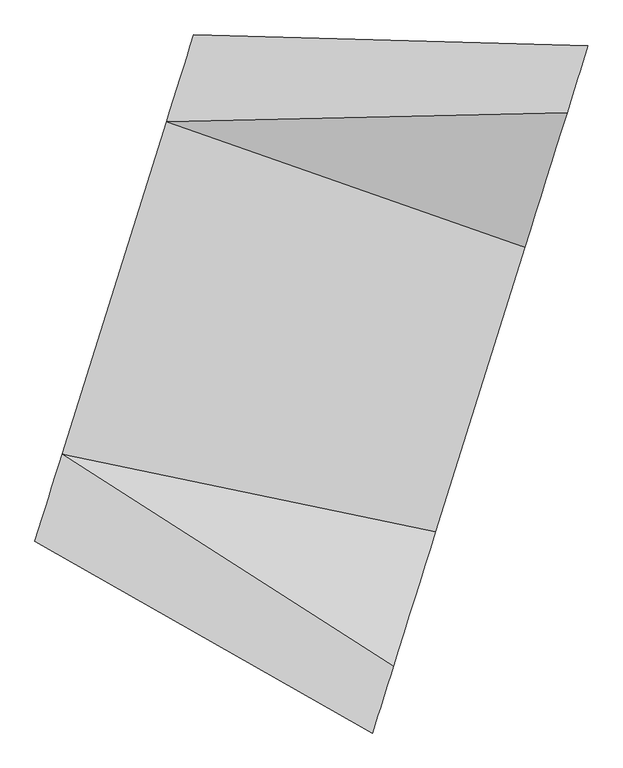
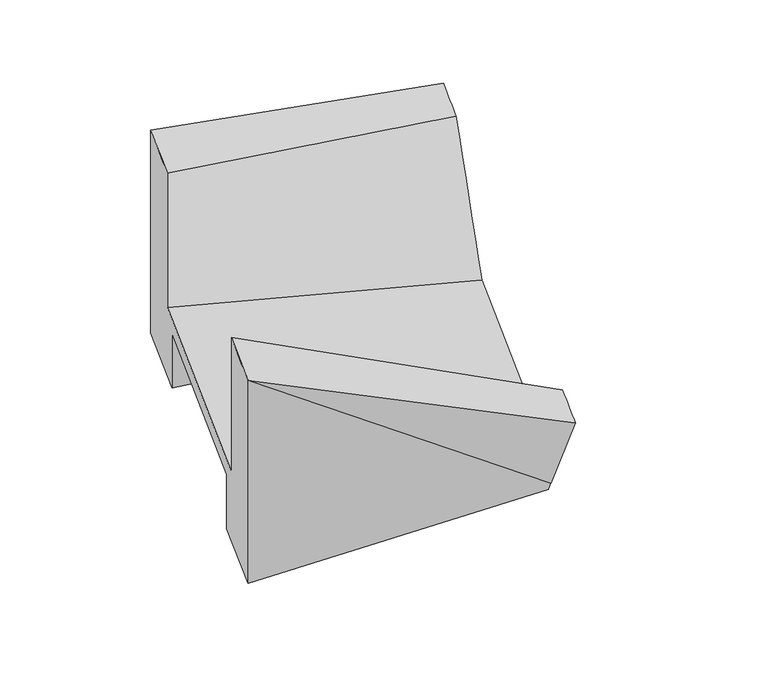
"""IFC4 building model written with IfcOpenShell, lengths in millimetres: geographic element geometry."""

from ifc_helpers import new_model, si_unit, frame, origin, place, context, project, spatial, source, transform, mapped, element, save
from ifc_brep_helpers import plane_surface, spline_surface, advanced_brep


def geographic_element_d51e29d1(model_context):
    return source(origin(), model_context, "Body", "AdvancedBrep", [
        advanced_brep(
        [(-593155.4098191, 335279.1897536, 32110.1066741), (-593155.409819, 335279.1897538, 31160.106674), (-593574.7070095, 333943.4540514, 31160.1066738), (-593574.7070097, 333943.4540505, 34710.1066688), (-593245.2592173, 334992.9606737, 34710.106669), (-593245.2592171, 334992.9606744, 32360.1066741), (-591987.3676461, 339000.1677807, 32360.1066741), (-591987.3676459, 339000.1677812, 34710.1066684), (-591657.9198534, 340049.6744045, 34710.1066684), (-591657.9198536, 340049.674404, 31160.1066733), (-592077.2170441, 338713.9387013, 31160.1066734), (-592077.217044, 338713.9387015, 32110.1066741), (-588650.5006488, 334338.5241603, 31995.1066738), (-587749.2183633, 337209.697529, 31995.1066738), (-587685.8479473, 337411.5737375, 31571.8773027), (-587430.0158664, 338226.5661872, 31571.9886135), (-587420.0922107, 338258.1795189, 31616.353347), (-586899.0073022, 339918.1756557, 33945.9175532), (-587151.5020101, 339113.8149212, 33945.9175534), (-587660.8291049, 337491.2751087, 32245.1066738), (-588738.8899069, 334056.9465814, 32245.1066738), (-589248.2170017, 332434.4067689, 33945.9175539), (-589500.7117097, 331630.0460344, 33945.9175539), (-589016.9987551, 333170.9880627, 31783.4285489), (-588969.7031456, 333321.6555024, 31571.988614), (-588713.8710647, 334136.6479519, 31571.877303)],
        [
            (0, 1),
            (1, 2),
            (2, 3),
            (3, 4),
            (4, 5),
            (5, 6),
            (6, 7),
            (7, 8),
            (8, 9),
            (9, 10),
            (10, 11),
            (11, 0),
            (12, 13),
            (13, 14),
            (14, 15),
            (15, 16),
            (16, 17),
            (17, 18),
            (18, 19),
            (19, 20),
            (20, 21),
            (21, 22),
            (22, 23),
            (23, 24),
            (24, 25),
            (25, 12),
            (25, 1),
            (0, 12),
            (24, 2),
            (23, 3),
            (22, 3),
            (21, 4),
            (20, 5),
            (19, 6),
            (18, 7),
            (17, 8),
            (16, 8),
            (15, 9),
            (14, 10),
            (13, 11),
        ],
        [
            plane_surface(frame((-592616.3134316, 336996.5642275, 32701.7733388), z_axis=(-0.9540969301462743, 0.29949799312425374, 0.0), x_axis=(6.552866768205062e-11, 2.0870674220786327e-10, 1.0))),
            plane_surface(frame((-588202.5289312, 335765.60698, 32425.1150456), z_axis=(0.9540969301462701, -0.29949799312426745, 0.0), x_axis=(-0.13392645819078122, -0.42664333504282853, -0.894449086566701))),
            spline_surface(1, 1, [[(-588650.5006488, 334338.5241603, 31995.1066738), (-593155.4098191, 335279.1897536, 32110.1066741)], [(-588713.8710647, 334136.6479519, 31571.877303), (-593155.409819, 335279.1897538, 31160.106674)]], [2, 2], [2, 2], [0.0, 1.0], [0.0, 1.0]),
            spline_surface(1, 1, [[(-588713.8710647, 334136.6479519, 31571.877303), (-593155.409819, 335279.1897538, 31160.106674)], [(-588969.7031456, 333321.6555024, 31571.988614), (-593574.7070095, 333943.4540514, 31160.1066738)]], [2, 2], [2, 2], [0.0, 1.0], [0.0, 1.0]),
            spline_surface(1, 1, [[(-588969.7031456, 333321.6555024, 31571.988614), (-593574.7070095, 333943.4540514, 31160.1066738)], [(-589016.9987551, 333170.9880627, 31783.4285487), (-593574.7070097, 333943.4540505, 34710.1066688)]], [2, 2], [2, 2], [0.0, 1.0], [0.0, 1.0]),
            plane_surface(frame((-589258.8552324, 332400.5170486, 32864.6730514), z_axis=(-0.48238212963647753, -0.6587813990512715, -0.5773340014856444), x_axis=(-0.17921639290909638, -0.5709213892310835, 0.8012054991268484))),
            spline_surface(1, 1, [[(-589500.7117097, 331630.0460344, 33945.9175539), (-593574.7070097, 333943.4540505, 34710.1066688)], [(-589248.2170017, 332434.4067689, 33945.9175539), (-593245.2592173, 334992.9606737, 34710.106669)]], [2, 2], [2, 2], [0.0, 1.0], [0.0, 1.0]),
            spline_surface(1, 1, [[(-589248.2170017, 332434.4067689, 33945.9175539), (-593245.2592173, 334992.9606737, 34710.106669)], [(-588738.8899069, 334056.9465814, 32245.1066738), (-593245.2592171, 334992.9606744, 32360.1066741)]], [2, 2], [2, 2], [0.0, 1.0], [0.0, 1.0]),
            plane_surface(frame((-588199.8595059, 335774.110845, 32245.1066738), z_axis=(0.023949831100846607, -0.007518026862605938, 0.9996848927848886), x_axis=(0.29949799312429765, 0.9540969301462605, 0.0))),
            spline_surface(1, 1, [[(-587660.8291049, 337491.2751087, 32245.1066738), (-591987.3676461, 339000.1677807, 32360.1066741)], [(-587151.5020101, 339113.8149212, 33945.9175534), (-591987.3676459, 339000.1677812, 34710.1066684)]], [2, 2], [2, 2], [0.0, 1.0], [0.0, 1.0]),
            spline_surface(1, 1, [[(-587151.5020101, 339113.8149212, 33945.9175534), (-591987.3676459, 339000.1677812, 34710.1066684)], [(-586899.0073022, 339918.1756557, 33945.9175532), (-591657.9198534, 340049.6744045, 34710.1066684)]], [2, 2], [2, 2], [0.0, 1.0], [0.0, 1.0]),
            plane_surface(frame((-587159.5497564, 339088.1775873, 32781.1354501), z_axis=(-0.06867525183741702, 0.8196640679584724, -0.5687130431798064), x_axis=(-0.1792163929483911, -0.570921389356234, -0.8012054990288792))),
            spline_surface(1, 1, [[(-587420.0922107, 338258.1795189, 31616.353347), (-591657.9198534, 340049.6744045, 34710.1066684)], [(-587430.0158664, 338226.5661872, 31571.9886135), (-591657.9198536, 340049.674404, 31160.1066733)]], [2, 2], [2, 2], [0.0, 1.0], [0.0, 1.0]),
            spline_surface(1, 1, [[(-587430.0158664, 338226.5661872, 31571.9886135), (-591657.9198536, 340049.674404, 31160.1066733)], [(-587685.8479473, 337411.5737375, 31571.8773027), (-592077.2170441, 338713.9387013, 31160.1066734)]], [2, 2], [2, 2], [0.0, 1.0], [0.0, 1.0]),
            spline_surface(1, 1, [[(-587685.8479473, 337411.5737375, 31571.8773027), (-592077.2170441, 338713.9387013, 31160.1066734)], [(-587749.2183633, 337209.697529, 31995.1066738), (-592077.217044, 338713.9387015, 32110.1066741)]], [2, 2], [2, 2], [0.0, 1.0], [0.0, 1.0]),
            plane_surface(frame((-588199.859506, 335774.1108446, 31995.1066738), z_axis=(-0.023949831100846305, 0.0075180268626061555, -0.9996848927848887), x_axis=(-0.299497993124309, -0.954096930146257, 0.0))),
        ],
        [
            (0, [[1, 2, 3, 4, 5, 6, 7, 8, 9, 10, 11, 12]]),
            (1, [[13, 14, 15, 16, 17, 18, 19, 20, 21, 22, 23, 24, 25, 26]]),
            (2, [[-26, 27, -1, 28]]),
            (3, [[-25, 29, -2, -27]]),
            (4, [[-24, 30, -3, -29]]),
            (5, [[-23, 31, -30]]),
            (6, [[-22, 32, -4, -31]]),
            (7, [[-21, 33, -5, -32]]),
            (8, [[-20, 34, -6, -33]]),
            (9, [[-19, 35, -7, -34]]),
            (10, [[-18, 36, -8, -35]]),
            (11, [[-17, 37, -36]]),
            (12, [[-16, 38, -9, -37]]),
            (13, [[-15, 39, -10, -38]]),
            (14, [[-14, 40, -11, -39]]),
            (15, [[-13, -28, -12, -40]]),
        ],
    ),
    ])


if __name__ == "__main__":
    model = new_model("IFC4")
    model_context = context("Model", 3, world=origin())
    ifc_project = project(units=[si_unit("LENGTHUNIT", "METRE", prefix="MILLI")], contexts=[model_context])
    site = spatial("IfcSite", under=ifc_project)
    building = spatial("IfcBuilding", under=site)
    placement = place(None, origin())
    geographic_element_shape = geographic_element_d51e29d1(model_context)
    element("IfcGeographicElement", 1, at=placement, inside=building, context=model_context, shape_type="MappedRepresentation", body=[
        mapped(geographic_element_shape, transform((0.0, 0.0, 0.0), x_axis=(1.0, 0.0, 0.0), y_axis=(0.0, 1.0, 0.0), z_axis=(0.0, 0.0, 1.0))),
    ])
    save(model, "model.ifc")
